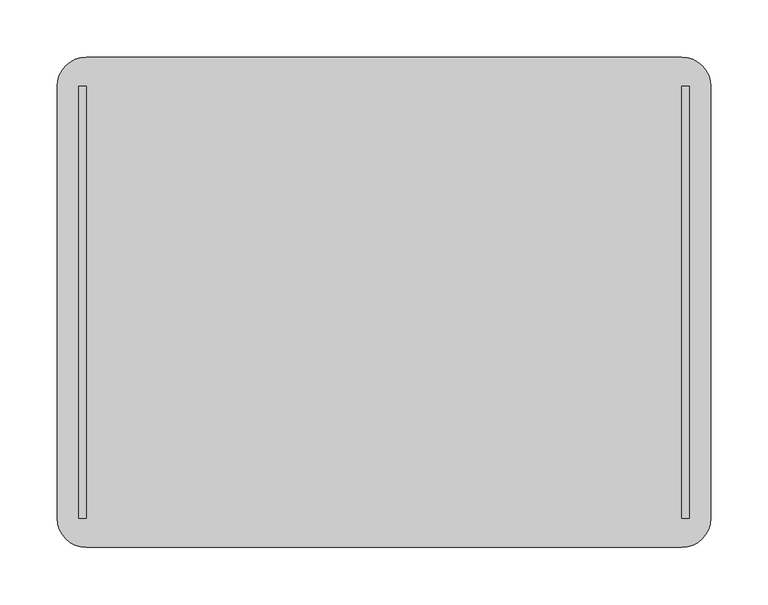
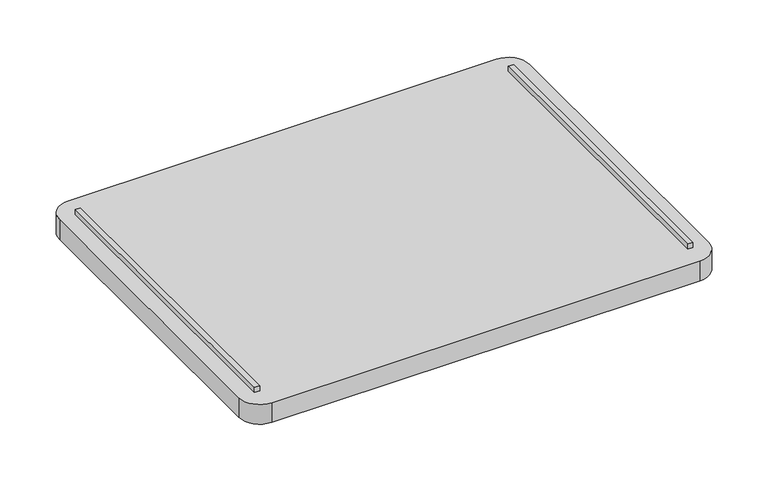
"""IFC4 building model written with IfcOpenShell, lengths in millimetres: furniture geometry."""

from ifc_helpers import new_model, si_unit, point, frame, frame_2d, origin, place, context, project, spatial, polyline, circle_curve, trimmed, segment, composite_curve, outline, extrude, source, transform, mapped, element, save


def furniture_34b9d0a8(model_context):
    return source(origin(), model_context, "Body", "SweptSolid", [
        extrude(outline(polyline([(-260.35, -188.9125), (-266.7, -188.9125), (-266.7, 188.9125), (-260.35, 188.9125), (-260.35, -188.9125)])), frame((0.0, 0.0, 643.93572), z_axis=(0.0, 0.0, 1.0), x_axis=(1.0, 0.0, 0.0)), (0.0, 0.0, 1.0), 6.35),
        extrude(outline(polyline([(266.7, -188.9125), (260.35, -188.9125), (260.35, 188.9125), (266.7, 188.9125), (266.7, -188.9125)])), frame((0.0, 0.0, 643.93572), z_axis=(0.0, 0.0, 1.0), x_axis=(1.0, 0.0, 0.0)), (0.0, 0.0, 1.0), 6.35),
        extrude(outline(composite_curve([segment(trimmed(circle_curve(frame_2d((260.35, 188.9125)), 25.4), [point((260.35, 214.3125))], [point((285.75, 188.9125))], False, "CARTESIAN"), True, "CONTINUOUS"), segment(polyline([(285.75, 188.9125), (285.75, -188.9125)]), True, "CONTINUOUS"), segment(trimmed(circle_curve(frame_2d((260.35, -188.9125)), 25.4), [point((285.75, -188.9125))], [point((260.35, -214.3125))], False, "CARTESIAN"), True, "CONTINUOUS"), segment(polyline([(260.35, -214.3125), (-260.35, -214.3125)]), True, "CONTINUOUS"), segment(trimmed(circle_curve(frame_2d((-260.35, -188.9125)), 25.4), [point((-260.35, -214.3125))], [point((-285.75, -188.9125))], False, "CARTESIAN"), True, "CONTINUOUS"), segment(polyline([(-285.75, -188.9125), (-285.75, 188.9125)]), True, "CONTINUOUS"), segment(trimmed(circle_curve(frame_2d((-260.35, 188.9125)), 25.4), [point((-285.75, 188.9125))], [point((-260.35, 214.3125))], False, "CARTESIAN"), True, "CONTINUOUS"), segment(polyline([(-260.35, 214.3125), (260.35, 214.3125)]), True, "CONTINUOUS")], self_intersect=False)), frame((0.0, 0.0, 618.53572), z_axis=(0.0, 0.0, 1.0), x_axis=(1.0, 0.0, 0.0)), (0.0, 0.0, 1.0), 25.4),
    ])


if __name__ == "__main__":
    model = new_model("IFC4")
    model_context = context("Model", 3, world=origin())
    ifc_project = project(units=[si_unit("LENGTHUNIT", "METRE", prefix="MILLI")], contexts=[model_context])
    site = spatial("IfcSite", under=ifc_project)
    building = spatial("IfcBuilding", under=site)
    placement = place(None, origin())
    furniture_shape = furniture_34b9d0a8(model_context)
    element("IfcFurniture", 1, at=placement, inside=building, context=model_context, shape_type="MappedRepresentation", body=[
        mapped(furniture_shape, transform((0.0, 0.0, 0.0), x_axis=(1.0, 0.0, 0.0), y_axis=(0.0, 1.0, 0.0), z_axis=(0.0, 0.0, 1.0))),
    ])
    save(model, "model.ifc")
